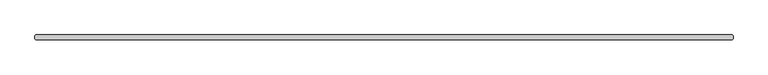
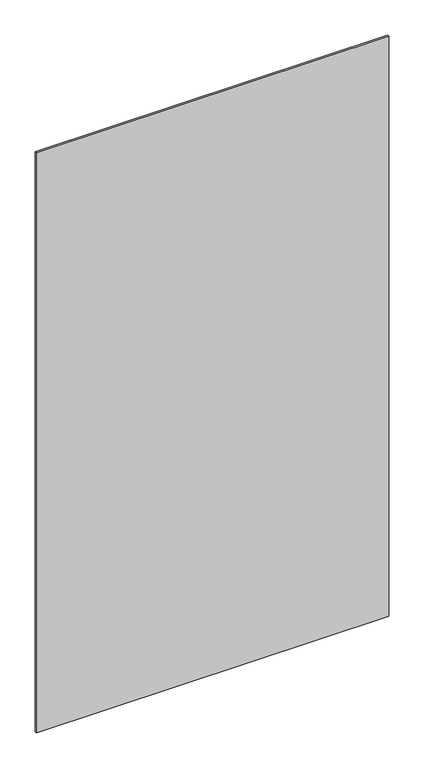
"""IFC4 building model written with IfcOpenShell, lengths in millimetres: plate geometry."""

from ifc_helpers import new_model, si_unit, origin, origin_with_axes, place, context, project, spatial, polyline, outline, extrude, source, transform, mapped, element, save


def plate_7b5c6fab(model_context):
    return source(origin(), model_context, "Body", "SweptSolid", [
        extrude(outline(polyline([(696.9125, 34.925), (698.5, 33.3375), (698.5, 26.9875), (696.9125, 25.4), (-696.9125, 25.4), (-698.5, 26.9875), (-698.5, 33.3375), (-696.9125, 34.925), (696.9125, 34.925)])), origin_with_axes(), (0.0, 0.0, 1.0), 2428.7789267),
    ])


if __name__ == "__main__":
    model = new_model("IFC4")
    model_context = context("Model", 3, world=origin())
    ifc_project = project(units=[si_unit("LENGTHUNIT", "METRE", prefix="MILLI")], contexts=[model_context])
    site = spatial("IfcSite", under=ifc_project)
    building = spatial("IfcBuilding", under=site)
    placement = place(None, origin())
    plate_shape = plate_7b5c6fab(model_context)
    element("IfcPlate", 1, at=placement, inside=building, context=model_context, shape_type="MappedRepresentation", body=[
        mapped(plate_shape, transform((0.0, 0.0, 0.0), x_axis=(1.0, 0.0, 0.0), y_axis=(0.0, 1.0, 0.0), z_axis=(0.0, 0.0, 1.0))),
    ])
    save(model, "model.ifc")
